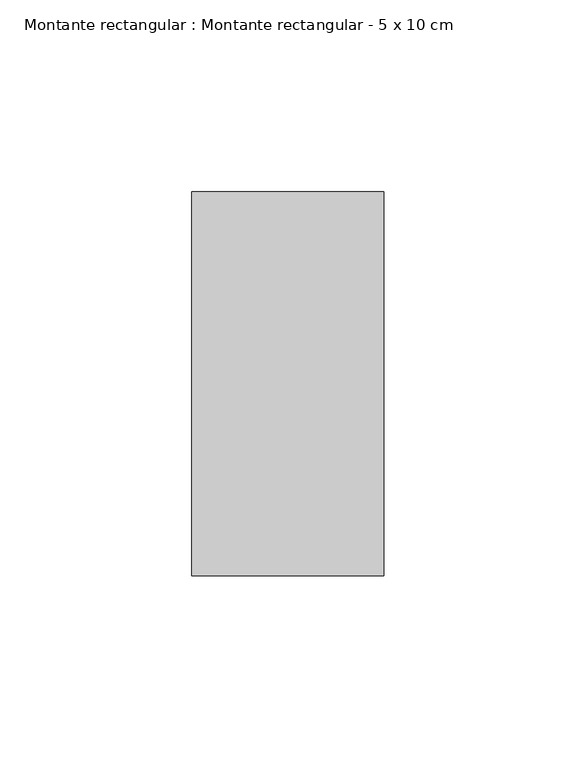
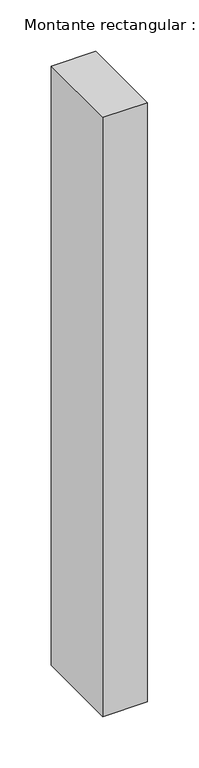
"""IFC4 building model written with IfcOpenShell, lengths in millimetres: member geometry, Montante rectangular : Montante rectangular - 5 x 10 cm."""

from ifc_helpers import new_model, si_unit, frame, origin, place, context, project, spatial, polyline, outline, extrude, source, transform, mapped, element, save


def montante_rectangular_montante_rectangular_5_x_10_cm_d3b9691f(model_context):
    return source(origin(), model_context, "Body", "SweptSolid", [
        extrude(outline(polyline([(0.0, 50.0), (0.0, -50.0), (-50.0, -50.0), (-50.0, 50.0), (0.0, 50.0)])), frame((0.0, 0.0, -711.3660041), z_axis=(0.0, 0.0, 1.0), x_axis=(1.0, 0.0, 0.0)), (0.0, 0.0, 1.0), 711.3660041),
    ])


if __name__ == "__main__":
    model = new_model("IFC4")
    model_context = context("Model", 3, world=origin())
    ifc_project = project(units=[si_unit("LENGTHUNIT", "METRE", prefix="MILLI")], contexts=[model_context])
    site = spatial("IfcSite", under=ifc_project)
    building = spatial("IfcBuilding", under=site)
    placement = place(None, origin())
    montante_rectangular_montante_rectangular_5_x_10_cm_shape = montante_rectangular_montante_rectangular_5_x_10_cm_d3b9691f(model_context)
    element("IfcMember", 1, ObjectType="Montante rectangular : Montante rectangular - 5 x 10 cm", at=placement, inside=building, context=model_context, shape_type="MappedRepresentation", body=[
        mapped(montante_rectangular_montante_rectangular_5_x_10_cm_shape, transform((0.0, 0.0, 0.0), x_axis=(1.0, 0.0, 0.0), y_axis=(0.0, 1.0, 0.0), z_axis=(0.0, 0.0, 1.0))),
    ])
    save(model, "model.ifc")
